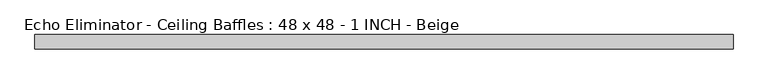
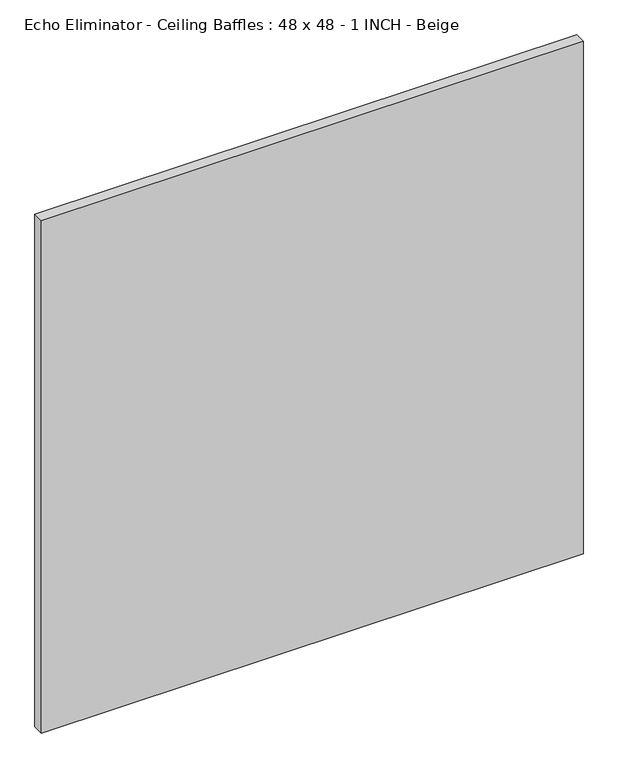
"""IFC4 building model written with IfcOpenShell, lengths in millimetres: proxy geometry, Echo Eliminator - Ceiling Baffles : 48 x 48 - 1 INCH - Beige."""

import ifcopenshell
import ifcopenshell.guid

model = None  # the IFC model being written
_history = None  # IfcOwnerHistory: only IFC2X3 demands one
_inside = {}  # id of a spatial element -> (the spatial element, [elements in it])
_under = {}  # id of a project, library or spatial element -> (it, [spatial elements below it])
_declared = {}  # id of a project -> (the project, [libraries it declares])
_typed = {}  # id of a type object -> (the type object, [elements of that type])
_made_of = {}  # id of a material, layer set ... -> (it, [elements and type objects made of it])


def new_model(schema):
    """Start an empty IFC model of exactly this schema.

    Asked for "IFC4X3", IfcOpenShell would pick the latest addendum, in which some entities
    have other attributes; the version numbers below select the first issue.
    IFC2X3 requires an IfcOwnerHistory on every rooted entity: one is made here for all.
    """
    global model, _history
    if schema == "IFC4X3":
        model = ifcopenshell.file(schema_version=(4, 3, 0, 0))
    else:
        model = ifcopenshell.file(schema=schema)
    _inside.clear()
    _under.clear()
    _declared.clear()
    _typed.clear()
    _made_of.clear()
    _history = None
    if model.schema == "IFC2X3":
        org = make("IfcOrganization", Name="unknown")
        user = make(
            "IfcPersonAndOrganization",
            ThePerson=make("IfcPerson", FamilyName="unknown"),
            TheOrganization=org,
        )
        app = make(
            "IfcApplication",
            ApplicationDeveloper=org,
            Version="unknown",
            ApplicationFullName="unknown",
            ApplicationIdentifier="unknown",
        )
        _history = make(
            "IfcOwnerHistory",
            OwningUser=user,
            OwningApplication=app,
            ChangeAction="ADDED",
            CreationDate=0,
        )
    return model


def make(cls, **values):
    """One entity of the class cls with the attributes given. An attribute that is None is left unset."""
    return model.create_entity(
        cls, **{name: value for name, value in values.items() if value is not None}
    )


def rooted(cls, **values):
    """An entity with a GlobalId (a new one), such as an element, a storey or a relation."""
    return make(cls, GlobalId=ifcopenshell.guid.new(), OwnerHistory=_history, **values)


def si_unit(unit_type, name, prefix=None):
    """IfcSIUnit, for example si_unit("LENGTHUNIT", "METRE", prefix="MILLI")."""
    return make("IfcSIUnit", UnitType=unit_type, Prefix=prefix, Name=name)


def assignment(units):
    """IfcUnitAssignment: the units of a project."""
    return None if units is None else make("IfcUnitAssignment", Units=units)


def point(xyz):
    """IfcCartesianPoint."""
    return None if xyz is None else make("IfcCartesianPoint", Coordinates=xyz)


def direction(xyz):
    """IfcDirection."""
    return None if xyz is None else make("IfcDirection", DirectionRatios=xyz)


def frame(location, z_axis=None, x_axis=None):
    """IfcAxis2Placement3D, a coordinate frame: its origin and axes. An axis left out is left unset."""
    return make(
        "IfcAxis2Placement3D",
        Location=point(location),
        Axis=direction(z_axis),
        RefDirection=direction(x_axis),
    )


def origin():
    """The frame at (0, 0, 0) with its axes left unset."""
    return frame((0.0, 0.0, 0.0))


def origin_with_axes():
    """The frame at (0, 0, 0) with the z axis (0, 0, 1) and the x axis (1, 0, 0) written out."""
    return frame((0.0, 0.0, 0.0), z_axis=(0.0, 0.0, 1.0), x_axis=(1.0, 0.0, 0.0))


def place(relative_to, where):
    """IfcLocalPlacement: puts the frame where relative to a parent placement (None: the world)."""
    return make(
        "IfcLocalPlacement", PlacementRelTo=relative_to, RelativePlacement=where
    )


def context(
    kind, dimensions, precision=None, world=None, true_north=None, identifier=None
):
    """IfcGeometricRepresentationContext, for example the 3D "Model" context."""
    return make(
        "IfcGeometricRepresentationContext",
        ContextIdentifier=identifier,
        ContextType=kind,
        CoordinateSpaceDimension=dimensions,
        Precision=precision,
        WorldCoordinateSystem=world,
        TrueNorth=true_north,
    )


def project(units=None, contexts=None):
    """IfcProject with its units and contexts."""
    return rooted(
        "IfcProject",
        Name="project",
        RepresentationContexts=contexts,
        UnitsInContext=assignment(units),
    )


def spatial(cls, under=None, at=None, **own):
    """A site, building, storey or space (cls), placed at a placement, below another one or the project."""
    s = rooted(cls, ObjectPlacement=at, **own)
    if under is not None:
        _under.setdefault(under.id(), (under, []))[1].append(s)
    return s


def polyline(points):
    """IfcPolyline through the points."""
    return make("IfcPolyline", Points=[point(p) for p in points])


def outline(outer, holes=None, kind="AREA"):
    """IfcArbitraryClosedProfileDef: a profile drawn as a closed curve; with holes, ...WithVoids."""
    if holes is None:
        return make("IfcArbitraryClosedProfileDef", ProfileType=kind, OuterCurve=outer)
    return make(
        "IfcArbitraryProfileDefWithVoids",
        ProfileType=kind,
        OuterCurve=outer,
        InnerCurves=holes,
    )


def extrude(swept, where, along, depth):
    """IfcExtrudedAreaSolid: the profile swept, set in the frame where, extruded along a direction by depth."""
    return make(
        "IfcExtrudedAreaSolid",
        SweptArea=swept,
        Position=where,
        ExtrudedDirection=direction(along),
        Depth=depth,
    )


def shape(context_of_items, identifier, shape_type, items):
    """IfcShapeRepresentation: the items that make up one representation, for example the "Body"."""
    return make(
        "IfcShapeRepresentation",
        ContextOfItems=context_of_items,
        RepresentationIdentifier=identifier,
        RepresentationType=shape_type,
        Items=items,
    )


def source(mapping_origin, context_of_items, identifier, shape_type, items):
    """IfcRepresentationMap: a shape defined once, which mapped items show again and again."""
    return make(
        "IfcRepresentationMap",
        MappingOrigin=mapping_origin,
        MappedRepresentation=shape(context_of_items, identifier, shape_type, items),
    )


def transform(
    local_origin,
    x_axis=None,
    y_axis=None,
    z_axis=None,
    scale=None,
    scale2=None,
    scale3=None,
    uniform=True,
):
    """IfcCartesianTransformationOperator3D, or its non-uniform kind. x_axis, y_axis, z_axis: its Axis1, 2, 3."""
    if uniform:
        return make(
            "IfcCartesianTransformationOperator3D",
            Axis1=direction(x_axis),
            Axis2=direction(y_axis),
            LocalOrigin=point(local_origin),
            Scale=scale,
            Axis3=direction(z_axis),
        )
    return make(
        "IfcCartesianTransformationOperator3DnonUniform",
        Axis1=direction(x_axis),
        Axis2=direction(y_axis),
        LocalOrigin=point(local_origin),
        Scale=scale,
        Axis3=direction(z_axis),
        Scale2=scale2,
        Scale3=scale3,
    )


def mapped(mapping_source, mapping_target):
    """IfcMappedItem: shows the shape of a source again, moved by a transform."""
    return make(
        "IfcMappedItem", MappingSource=mapping_source, MappingTarget=mapping_target
    )


def made_of(thing, what):
    """Note that an element or type object is made of a material, layer set ...; save() writes the relation."""
    if what is not None:
        _made_of.setdefault(what.id(), (what, []))[1].append(thing)
    return thing


def element(
    cls,
    number,
    at=None,
    inside=None,
    cuts=None,
    type_object=None,
    material=None,
    context=None,
    identifier="Body",
    shape_type=None,
    held_by="IfcProductDefinitionShape",
    body=None,
    shapes=None,
    **own,
):
    """One element of the class cls, such as IfcWall. Its Tag is "e" and its number.

    at: its placement. inside: the storey or other place that contains it. cuts: it is an
    opening in that element (IfcRelVoidsElement). A single representation is given by context,
    identifier, shape_type and body (its items); several are given by shapes. held_by: the class
    of the entity that holds the representations. save() writes the other relations.
    """
    e = rooted(cls, Tag="e%d" % number, ObjectPlacement=at, **own)
    if body is not None:
        shapes = [shape(context, identifier, shape_type, body)]
    if shapes is not None:
        e.Representation = make(held_by, Representations=shapes)
    if inside is not None:
        _inside.setdefault(inside.id(), (inside, []))[1].append(e)
    if cuts is not None:
        rooted(
            "IfcRelVoidsElement", RelatingBuildingElement=cuts, RelatedOpeningElement=e
        )
    if type_object is not None:
        _typed.setdefault(type_object.id(), (type_object, []))[1].append(e)
    return made_of(e, material)


def aggregate(whole, parts):
    """IfcRelAggregates: a whole, such as a stair, and the parts it consists of."""
    return rooted("IfcRelAggregates", RelatingObject=whole, RelatedObjects=parts)


def save(model, path):
    """Write the relations noted so far, then the file.

    IfcRelAggregates (storeys below a building ...), IfcRelContainedInSpatialStructure (elements
    in a storey), IfcRelDefinesByType, IfcRelAssociatesMaterial and IfcRelDeclares: one each for
    every whole, place, type object, material and project.
    """
    for whole, parts in _under.values():
        aggregate(whole, parts)
    for where, things in _inside.values():
        rooted(
            "IfcRelContainedInSpatialStructure",
            RelatedElements=things,
            RelatingStructure=where,
        )
    for kind, things in _typed.values():
        rooted("IfcRelDefinesByType", RelatedObjects=things, RelatingType=kind)
    for what, things in _made_of.values():
        rooted("IfcRelAssociatesMaterial", RelatedObjects=things, RelatingMaterial=what)
    for by, libraries in _declared.values():
        rooted("IfcRelDeclares", RelatingContext=by, RelatedDefinitions=libraries)
    model.write(path)


def echo_eliminator_ceiling_baffles_48_x_48_1_inch_beige_6ebce358(model_context):
    return source(origin(), model_context, "Body", "SweptSolid", [
        extrude(outline(polyline([(609.6, -25.4), (-609.6, -25.4), (-609.6, 0.0), (609.6, 0.0), (609.6, -25.4)])), origin_with_axes(), (0.0, 0.0, 1.0), 1219.2),
    ])


if __name__ == "__main__":
    model = new_model("IFC4")
    model_context = context("Model", 3, world=origin())
    ifc_project = project(units=[si_unit("LENGTHUNIT", "METRE", prefix="MILLI")], contexts=[model_context])
    site = spatial("IfcSite", under=ifc_project)
    building = spatial("IfcBuilding", under=site)
    placement = place(None, origin())
    echo_eliminator_ceiling_baffles_48_x_48_1_inch_beige_shape = echo_eliminator_ceiling_baffles_48_x_48_1_inch_beige_6ebce358(model_context)
    element("IfcBuildingElementProxy", 1, Name="Echo Eliminator - Ceiling Baffles : 48 x 48 - 1 INCH - Beige", ObjectType="Echo Eliminator - Ceiling Baffles : 48 x 48 - 1 INCH - Beige", at=placement, inside=building, context=model_context, shape_type="MappedRepresentation", body=[
        mapped(echo_eliminator_ceiling_baffles_48_x_48_1_inch_beige_shape, transform((0.0, 0.0, 0.0), x_axis=(1.0, 0.0, 0.0), y_axis=(0.0, 1.0, 0.0), z_axis=(0.0, 0.0, 1.0))),
    ])
    save(model, "model.ifc")
